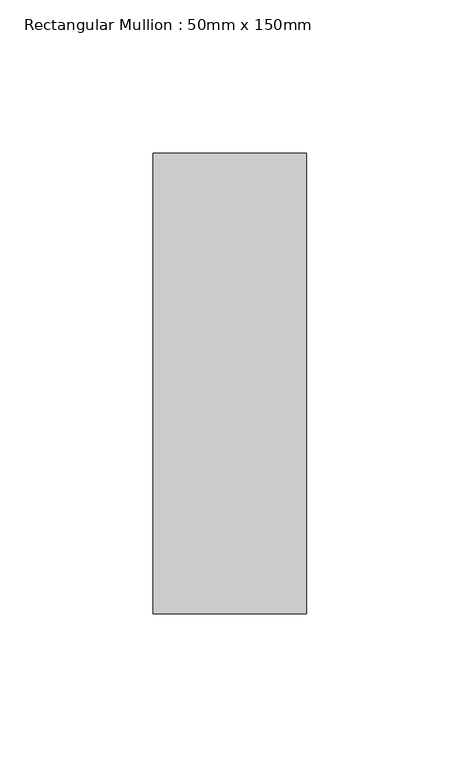
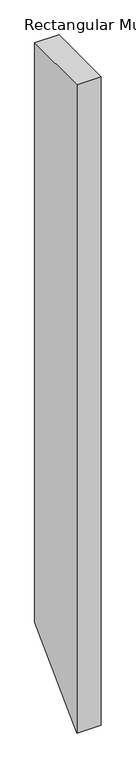
"""IFC4 building model written with IfcOpenShell, lengths in millimetres: member geometry, Rectangular Mullion : 50mm x 150mm."""

import ifcopenshell
import ifcopenshell.guid

model = None  # the IFC model being written
_history = None  # IfcOwnerHistory: only IFC2X3 demands one
_inside = {}  # id of a spatial element -> (the spatial element, [elements in it])
_under = {}  # id of a project, library or spatial element -> (it, [spatial elements below it])
_declared = {}  # id of a project -> (the project, [libraries it declares])
_typed = {}  # id of a type object -> (the type object, [elements of that type])
_made_of = {}  # id of a material, layer set ... -> (it, [elements and type objects made of it])


def new_model(schema):
    """Start an empty IFC model of exactly this schema.

    Asked for "IFC4X3", IfcOpenShell would pick the latest addendum, in which some entities
    have other attributes; the version numbers below select the first issue.
    IFC2X3 requires an IfcOwnerHistory on every rooted entity: one is made here for all.
    """
    global model, _history
    if schema == "IFC4X3":
        model = ifcopenshell.file(schema_version=(4, 3, 0, 0))
    else:
        model = ifcopenshell.file(schema=schema)
    _inside.clear()
    _under.clear()
    _declared.clear()
    _typed.clear()
    _made_of.clear()
    _history = None
    if model.schema == "IFC2X3":
        org = make("IfcOrganization", Name="unknown")
        user = make(
            "IfcPersonAndOrganization",
            ThePerson=make("IfcPerson", FamilyName="unknown"),
            TheOrganization=org,
        )
        app = make(
            "IfcApplication",
            ApplicationDeveloper=org,
            Version="unknown",
            ApplicationFullName="unknown",
            ApplicationIdentifier="unknown",
        )
        _history = make(
            "IfcOwnerHistory",
            OwningUser=user,
            OwningApplication=app,
            ChangeAction="ADDED",
            CreationDate=0,
        )
    return model


def make(cls, **values):
    """One entity of the class cls with the attributes given. An attribute that is None is left unset."""
    return model.create_entity(
        cls, **{name: value for name, value in values.items() if value is not None}
    )


def rooted(cls, **values):
    """An entity with a GlobalId (a new one), such as an element, a storey or a relation."""
    return make(cls, GlobalId=ifcopenshell.guid.new(), OwnerHistory=_history, **values)


def si_unit(unit_type, name, prefix=None):
    """IfcSIUnit, for example si_unit("LENGTHUNIT", "METRE", prefix="MILLI")."""
    return make("IfcSIUnit", UnitType=unit_type, Prefix=prefix, Name=name)


def assignment(units):
    """IfcUnitAssignment: the units of a project."""
    return None if units is None else make("IfcUnitAssignment", Units=units)


def point(xyz):
    """IfcCartesianPoint."""
    return None if xyz is None else make("IfcCartesianPoint", Coordinates=xyz)


def direction(xyz):
    """IfcDirection."""
    return None if xyz is None else make("IfcDirection", DirectionRatios=xyz)


def frame(location, z_axis=None, x_axis=None):
    """IfcAxis2Placement3D, a coordinate frame: its origin and axes. An axis left out is left unset."""
    return make(
        "IfcAxis2Placement3D",
        Location=point(location),
        Axis=direction(z_axis),
        RefDirection=direction(x_axis),
    )


def origin():
    """The frame at (0, 0, 0) with its axes left unset."""
    return frame((0.0, 0.0, 0.0))


def place(relative_to, where):
    """IfcLocalPlacement: puts the frame where relative to a parent placement (None: the world)."""
    return make(
        "IfcLocalPlacement", PlacementRelTo=relative_to, RelativePlacement=where
    )


def context(
    kind, dimensions, precision=None, world=None, true_north=None, identifier=None
):
    """IfcGeometricRepresentationContext, for example the 3D "Model" context."""
    return make(
        "IfcGeometricRepresentationContext",
        ContextIdentifier=identifier,
        ContextType=kind,
        CoordinateSpaceDimension=dimensions,
        Precision=precision,
        WorldCoordinateSystem=world,
        TrueNorth=true_north,
    )


def project(units=None, contexts=None):
    """IfcProject with its units and contexts."""
    return rooted(
        "IfcProject",
        Name="project",
        RepresentationContexts=contexts,
        UnitsInContext=assignment(units),
    )


def spatial(cls, under=None, at=None, **own):
    """A site, building, storey or space (cls), placed at a placement, below another one or the project."""
    s = rooted(cls, ObjectPlacement=at, **own)
    if under is not None:
        _under.setdefault(under.id(), (under, []))[1].append(s)
    return s


def polyline(points):
    """IfcPolyline through the points."""
    return make("IfcPolyline", Points=[point(p) for p in points])


def outline(outer, holes=None, kind="AREA"):
    """IfcArbitraryClosedProfileDef: a profile drawn as a closed curve; with holes, ...WithVoids."""
    if holes is None:
        return make("IfcArbitraryClosedProfileDef", ProfileType=kind, OuterCurve=outer)
    return make(
        "IfcArbitraryProfileDefWithVoids",
        ProfileType=kind,
        OuterCurve=outer,
        InnerCurves=holes,
    )


def extrude(swept, where, along, depth):
    """IfcExtrudedAreaSolid: the profile swept, set in the frame where, extruded along a direction by depth."""
    return make(
        "IfcExtrudedAreaSolid",
        SweptArea=swept,
        Position=where,
        ExtrudedDirection=direction(along),
        Depth=depth,
    )


def shape(context_of_items, identifier, shape_type, items):
    """IfcShapeRepresentation: the items that make up one representation, for example the "Body"."""
    return make(
        "IfcShapeRepresentation",
        ContextOfItems=context_of_items,
        RepresentationIdentifier=identifier,
        RepresentationType=shape_type,
        Items=items,
    )


def source(mapping_origin, context_of_items, identifier, shape_type, items):
    """IfcRepresentationMap: a shape defined once, which mapped items show again and again."""
    return make(
        "IfcRepresentationMap",
        MappingOrigin=mapping_origin,
        MappedRepresentation=shape(context_of_items, identifier, shape_type, items),
    )


def transform(
    local_origin,
    x_axis=None,
    y_axis=None,
    z_axis=None,
    scale=None,
    scale2=None,
    scale3=None,
    uniform=True,
):
    """IfcCartesianTransformationOperator3D, or its non-uniform kind. x_axis, y_axis, z_axis: its Axis1, 2, 3."""
    if uniform:
        return make(
            "IfcCartesianTransformationOperator3D",
            Axis1=direction(x_axis),
            Axis2=direction(y_axis),
            LocalOrigin=point(local_origin),
            Scale=scale,
            Axis3=direction(z_axis),
        )
    return make(
        "IfcCartesianTransformationOperator3DnonUniform",
        Axis1=direction(x_axis),
        Axis2=direction(y_axis),
        LocalOrigin=point(local_origin),
        Scale=scale,
        Axis3=direction(z_axis),
        Scale2=scale2,
        Scale3=scale3,
    )


def mapped(mapping_source, mapping_target):
    """IfcMappedItem: shows the shape of a source again, moved by a transform."""
    return make(
        "IfcMappedItem", MappingSource=mapping_source, MappingTarget=mapping_target
    )


def made_of(thing, what):
    """Note that an element or type object is made of a material, layer set ...; save() writes the relation."""
    if what is not None:
        _made_of.setdefault(what.id(), (what, []))[1].append(thing)
    return thing


def element(
    cls,
    number,
    at=None,
    inside=None,
    cuts=None,
    type_object=None,
    material=None,
    context=None,
    identifier="Body",
    shape_type=None,
    held_by="IfcProductDefinitionShape",
    body=None,
    shapes=None,
    **own,
):
    """One element of the class cls, such as IfcWall. Its Tag is "e" and its number.

    at: its placement. inside: the storey or other place that contains it. cuts: it is an
    opening in that element (IfcRelVoidsElement). A single representation is given by context,
    identifier, shape_type and body (its items); several are given by shapes. held_by: the class
    of the entity that holds the representations. save() writes the other relations.
    """
    e = rooted(cls, Tag="e%d" % number, ObjectPlacement=at, **own)
    if body is not None:
        shapes = [shape(context, identifier, shape_type, body)]
    if shapes is not None:
        e.Representation = make(held_by, Representations=shapes)
    if inside is not None:
        _inside.setdefault(inside.id(), (inside, []))[1].append(e)
    if cuts is not None:
        rooted(
            "IfcRelVoidsElement", RelatingBuildingElement=cuts, RelatedOpeningElement=e
        )
    if type_object is not None:
        _typed.setdefault(type_object.id(), (type_object, []))[1].append(e)
    return made_of(e, material)


def aggregate(whole, parts):
    """IfcRelAggregates: a whole, such as a stair, and the parts it consists of."""
    return rooted("IfcRelAggregates", RelatingObject=whole, RelatedObjects=parts)


def save(model, path):
    """Write the relations noted so far, then the file.

    IfcRelAggregates (storeys below a building ...), IfcRelContainedInSpatialStructure (elements
    in a storey), IfcRelDefinesByType, IfcRelAssociatesMaterial and IfcRelDeclares: one each for
    every whole, place, type object, material and project.
    """
    for whole, parts in _under.values():
        aggregate(whole, parts)
    for where, things in _inside.values():
        rooted(
            "IfcRelContainedInSpatialStructure",
            RelatedElements=things,
            RelatingStructure=where,
        )
    for kind, things in _typed.values():
        rooted("IfcRelDefinesByType", RelatedObjects=things, RelatingType=kind)
    for what, things in _made_of.values():
        rooted("IfcRelAssociatesMaterial", RelatedObjects=things, RelatingMaterial=what)
    for by, libraries in _declared.values():
        rooted("IfcRelDeclares", RelatingContext=by, RelatedDefinitions=libraries)
    model.write(path)


def rectangular_mullion_50mm_x_150mm_58e217e4(model_context):
    return source(origin(), model_context, "Body", "SweptSolid", [
        extrude(outline(polyline([(-75.0, 0.0), (75.0, 0.0), (75.0, -1259.8760269), (-75.0, -1409.8760269), (-75.0, 0.0)])), frame((-50.0, 0.0, 0.0), z_axis=(1.0, 0.0, 0.0), x_axis=(0.0, 1.0, 0.0)), (0.0, 0.0, 1.0), 50.0),
    ])


if __name__ == "__main__":
    model = new_model("IFC4")
    model_context = context("Model", 3, world=origin())
    ifc_project = project(units=[si_unit("LENGTHUNIT", "METRE", prefix="MILLI")], contexts=[model_context])
    site = spatial("IfcSite", under=ifc_project)
    building = spatial("IfcBuilding", under=site)
    placement = place(None, origin())
    rectangular_mullion_50mm_x_150mm_shape = rectangular_mullion_50mm_x_150mm_58e217e4(model_context)
    element("IfcMember", 1, ObjectType="Rectangular Mullion : 50mm x 150mm", at=placement, inside=building, context=model_context, shape_type="MappedRepresentation", body=[
        mapped(rectangular_mullion_50mm_x_150mm_shape, transform((0.0, 0.0, 0.0), x_axis=(1.0, 0.0, 0.0), y_axis=(0.0, 1.0, 0.0), z_axis=(0.0, 0.0, 1.0))),
    ])
    save(model, "model.ifc")
